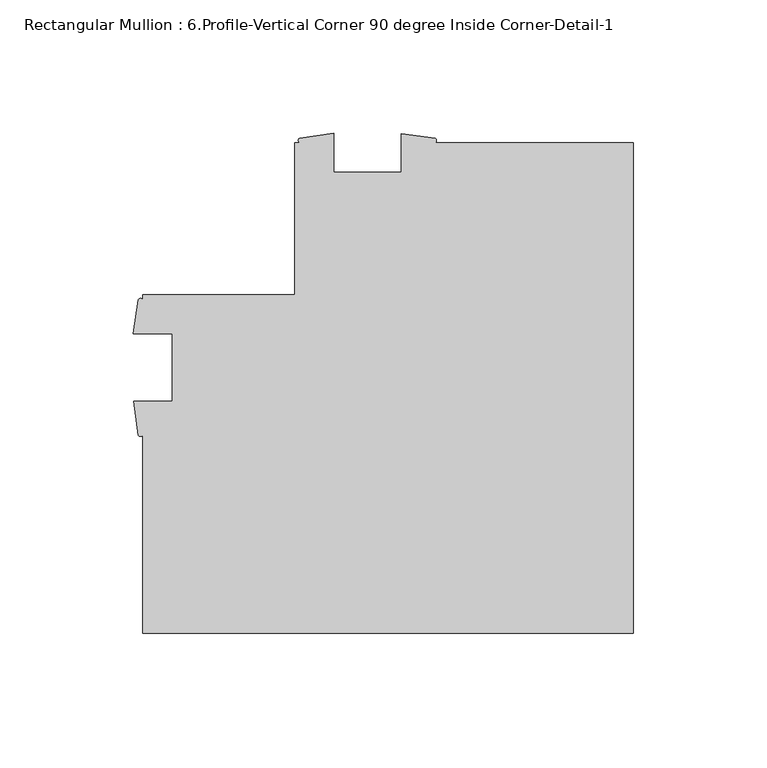
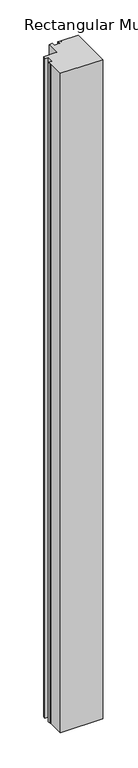
"""IFC4 building model written with IfcOpenShell, lengths in millimetres: member geometry, Rectangular Mullion : 6.Profile-Vertical Corner 90 degree Inside Corner-Detail-1."""

from ifc_helpers import new_model, si_unit, point, frame, frame_2d, origin, place, context, project, spatial, polyline, circle_curve, trimmed, segment, composite_curve, outline, extrude, source, transform, mapped, element, save


def rectangular_mullion_6_profile_vertical_corner_90_degree_eb54edf0(model_context):
    return source(origin(), model_context, "Body", "SweptSolid", [
        extrude(outline(composite_curve([segment(polyline([(0.0, -127.0), (-184.15, -127.0), (-184.15, -52.6748126)]), True, "CONTINUOUS"), segment(trimmed(circle_curve(frame_2d((-184.9429481, -52.2240755)), 0.9121023), [point((-184.15, -52.6748126))], [point((-185.7358963, -52.6748126))], False, "CARTESIAN"), True, "CONTINUOUS"), segment(polyline([(-185.7358963, -52.6748126), (-187.546, -39.903525), (-173.0375, -39.903525), (-173.0375, -14.503525), (-187.6695217, -14.503525), (-185.8134044, -1.7304722)]), True, "CONTINUOUS"), segment(trimmed(circle_curve(frame_2d((-184.9817022, -2.3393741)), 1.0307716), [point((-185.8134044, -1.7304722))], [point((-184.15, -1.7304722))], False, "CARTESIAN"), True, "CONTINUOUS"), segment(polyline([(-184.15, -1.7304722), (-184.15, 0.0), (-127.0, 0.0), (-127.0, 57.15), (-125.2695278, 57.15)]), True, "CONTINUOUS"), segment(trimmed(circle_curve(frame_2d((-124.6975512, 57.9817022)), 1.0093987), [point((-125.2695278, 57.15))], [point((-125.2695278, 58.8134044))], False, "CARTESIAN"), True, "CONTINUOUS"), segment(polyline([(-125.2695278, 58.8134044), (-112.496475, 60.6695217), (-112.496475, 46.0375), (-87.096475, 46.0375), (-87.096475, 60.546), (-74.3251874, 58.7358963)]), True, "CONTINUOUS"), segment(trimmed(circle_curve(frame_2d((-74.7792084, 57.9429481)), 0.9137296), [point((-74.3251874, 58.7358963))], [point((-74.3251874, 57.15))], False, "CARTESIAN"), True, "CONTINUOUS"), segment(polyline([(-74.3251874, 57.15), (0.0, 57.15), (0.0, -127.0)]), True, "CONTINUOUS")], self_intersect=False)), frame((0.0, 0.0, -3048.0), z_axis=(0.0, 0.0, 1.0), x_axis=(1.0, 0.0, 0.0)), (0.0, 0.0, 1.0), 3048.0),
    ])


if __name__ == "__main__":
    model = new_model("IFC4")
    model_context = context("Model", 3, world=origin())
    ifc_project = project(units=[si_unit("LENGTHUNIT", "METRE", prefix="MILLI")], contexts=[model_context])
    site = spatial("IfcSite", under=ifc_project)
    building = spatial("IfcBuilding", under=site)
    placement = place(None, origin())
    rectangular_mullion_6_profile_vertical_corner_90_degree_shape = rectangular_mullion_6_profile_vertical_corner_90_degree_eb54edf0(model_context)
    element("IfcMember", 1, ObjectType="Rectangular Mullion : 6.Profile-Vertical Corner 90 degree Inside Corner-Detail-1", at=placement, inside=building, context=model_context, shape_type="MappedRepresentation", body=[
        mapped(rectangular_mullion_6_profile_vertical_corner_90_degree_shape, transform((0.0, 0.0, 0.0), x_axis=(1.0, 0.0, 0.0), y_axis=(0.0, 1.0, 0.0), z_axis=(0.0, 0.0, 1.0))),
    ])
    save(model, "model.ifc")
